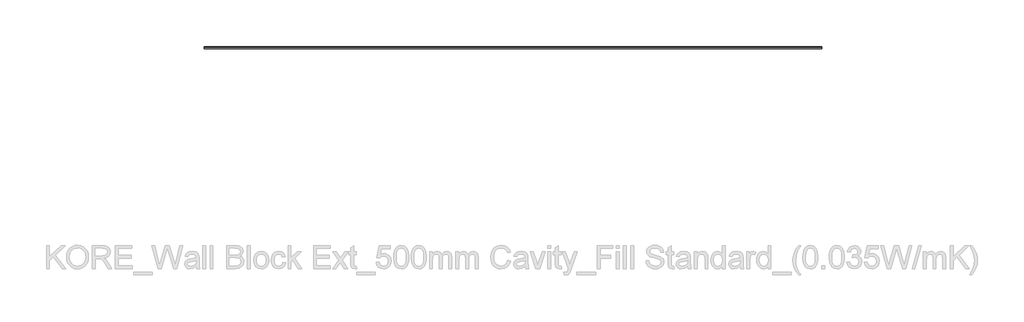
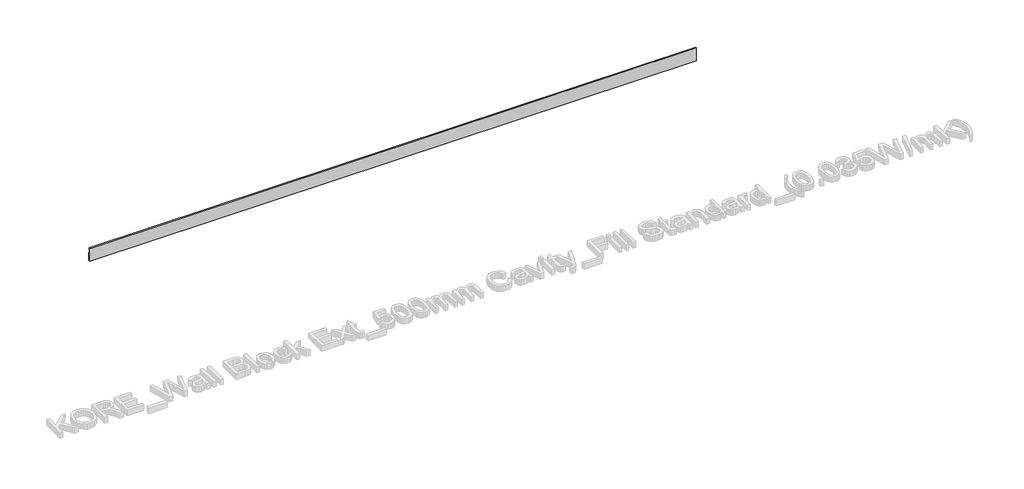
# One storey, part 13 of 60: 1 proxy.
"""IFC4 building model written with IfcOpenShell, lengths in millimetres."""

from ifc_helpers import new_model, si_unit, point, frame, frame_2d, origin, place, context, project, spatial, polyline, circle_curve, trimmed, segment, composite_curve, outline, extrude, element, save

model = new_model("IFC4")

# Units and contexts
model_context = context("Model", 3, world=origin())
ifc_project = project(units=[si_unit("LENGTHUNIT", "METRE", prefix="MILLI")], contexts=[model_context])

# Site, building, storey
site = spatial("IfcSite", under=ifc_project)
building = spatial("IfcBuilding", under=site)
storey = spatial("IfcBuildingStorey", under=building, Elevation=0.0)

# Proxy
placement = place(None, origin())
element("IfcBuildingElementProxy", 1, Name="Wall Sweeps", at=placement, inside=storey, context=model_context, shape_type="SweptSolid", body=[
    extrude(outline(composite_curve([segment(polyline([(265.4236863, 134.5), (274.4236863, 134.5), (274.4236863, 125.2473165)]), True, "CONTINUOUS"), segment(trimmed(circle_curve(frame_2d((264.8063342, 113.7361681)), 15.0), [point((274.4236863, 125.2473165))], [point((279.8063342, 113.7361681))], False, "CARTESIAN"), True, "CONTINUOUS"), segment(polyline([(279.8063342, 113.7361681), (279.8063342, 94.9145021), (283.4236863, 86.1071309), (283.4236863, 14.5), (265.4236863, 14.5), (265.4236863, 134.5)]), True, "CONTINUOUS")], self_intersect=False)), frame((17930.0129216, 0.0, 0.0), z_axis=(1.0, 0.0, 0.0), x_axis=(0.0, 1.0, 0.0)), (0.0, 0.0, 1.0), 5310.0),
])

save(model, "model.ifc")
